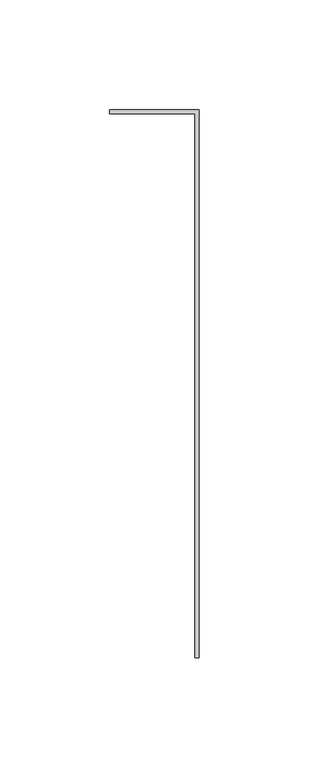
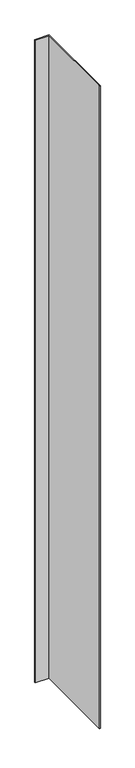
"""IFC4 building model written with IfcOpenShell, lengths in millimetres: member geometry."""

from ifc_helpers import new_model, si_unit, frame, origin, place, context, project, spatial, polyline, outline, extrude, source, transform, mapped, element, save


def member_ae857ef7(model_context):
    return source(origin(), model_context, "Body", "SweptSolid", [
        extrude(outline(polyline([(-2.0108815, 0.0), (-2.0108815, 248.0), (-41.0, 248.0), (-41.0, 250.0), (0.0, 250.0), (0.0, 0.0), (-2.0108815, 0.0)])), frame((0.0, 0.0, -1917.9891185), z_axis=(0.0, 0.0, 1.0), x_axis=(1.0, 0.0, 0.0)), (0.0, 0.0, 1.0), 1917.9891185),
    ])


if __name__ == "__main__":
    model = new_model("IFC4")
    model_context = context("Model", 3, world=origin())
    ifc_project = project(units=[si_unit("LENGTHUNIT", "METRE", prefix="MILLI")], contexts=[model_context])
    site = spatial("IfcSite", under=ifc_project)
    building = spatial("IfcBuilding", under=site)
    placement = place(None, origin())
    member_shape = member_ae857ef7(model_context)
    element("IfcMember", 1, at=placement, inside=building, context=model_context, shape_type="MappedRepresentation", body=[
        mapped(member_shape, transform((0.0, 0.0, 0.0), x_axis=(1.0, 0.0, 0.0), y_axis=(0.0, 1.0, 0.0), z_axis=(0.0, 0.0, 1.0))),
    ])
    save(model, "model.ifc")
